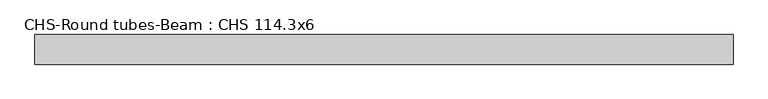
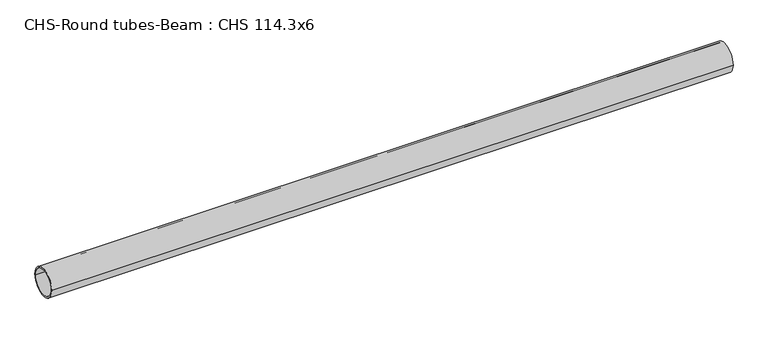
"""IFC4 building model written with IfcOpenShell, lengths in millimetres: beam geometry, CHS-Round tubes-Beam : CHS 114.3x6."""

from ifc_helpers import new_model, si_unit, point, frame, origin, origin_2d, place, context, project, spatial, circle_curve, trimmed, segment, composite_curve, outline, extrude, source, transform, mapped, element, save


def chs_round_tubes_beam_chs_114_3x6_d414e546(model_context):
    return source(origin(), model_context, "Body", "SweptSolid", [
        extrude(outline(composite_curve([segment(trimmed(circle_curve(origin_2d(), 57.15), [point((57.15, 0.0))], [point((-57.15, 0.0))], False, "CARTESIAN"), True, "CONTINUOUS"), segment(trimmed(circle_curve(origin_2d(), 57.15), [point((-57.15, 0.0))], [point((57.15, 0.0))], False, "CARTESIAN"), True, "CONTINUOUS")], self_intersect=False), holes=[composite_curve([segment(trimmed(circle_curve(origin_2d(), 51.15), [point((51.15, 0.0))], [point((-51.15, 0.0))], True, "CARTESIAN"), True, "CONTINUOUS"), segment(trimmed(circle_curve(origin_2d(), 51.15), [point((-51.15, 0.0))], [point((51.15, 0.0))], True, "CARTESIAN"), True, "CONTINUOUS")], self_intersect=False)]), frame((-1345.0829527, 0.0, 0.0), z_axis=(1.0, 0.0, 0.0), x_axis=(0.0, 1.0, 0.0)), (0.0, 0.0, 1.0), 2693.8230555),
    ])


if __name__ == "__main__":
    model = new_model("IFC4")
    model_context = context("Model", 3, world=origin())
    ifc_project = project(units=[si_unit("LENGTHUNIT", "METRE", prefix="MILLI")], contexts=[model_context])
    site = spatial("IfcSite", under=ifc_project)
    building = spatial("IfcBuilding", under=site)
    placement = place(None, origin())
    chs_round_tubes_beam_chs_114_3x6_shape = chs_round_tubes_beam_chs_114_3x6_d414e546(model_context)
    element("IfcBeam", 1, ObjectType="CHS-Round tubes-Beam : CHS 114.3x6", at=placement, inside=building, context=model_context, shape_type="MappedRepresentation", body=[
        mapped(chs_round_tubes_beam_chs_114_3x6_shape, transform((0.0, 0.0, 0.0), x_axis=(1.0, 0.0, 0.0), y_axis=(0.0, 1.0, 0.0), z_axis=(0.0, 0.0, 1.0))),
    ])
    save(model, "model.ifc")
